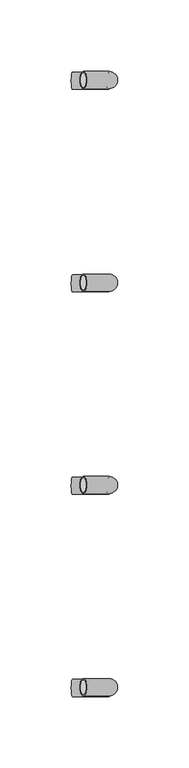
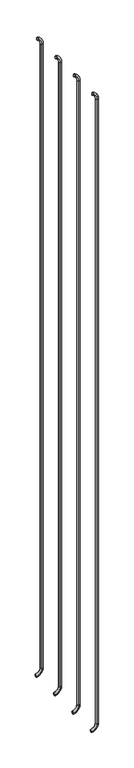
"""IFC4 building model written with IfcOpenShell, lengths in millimetres: beam geometry."""

from ifc_helpers import new_model, si_unit, point, frame, origin, place, context, project, spatial, polyline, circle_curve, ellipse_curve, trimmed, source, transform, mapped, element, save
from ifc_brep_helpers import plane_surface, cylinder_surface, revolved_surface, advanced_brep


def beam_c656ea8a(model_context):
    return source(origin(), model_context, "Body", "AdvancedBrep", [
        advanced_brep(
        [(-1568.5943391, 2408.8890736, 2977.1908893), (-1568.5943391, 2396.8890736, 2977.1908893), (-1568.5943391, 2407.8890736, 2977.1908893), (-1568.5943391, 2397.8890736, 2977.1908893), (-1550.5177223, 2407.8890736, 2949.6621238), (-1550.5177223, 2397.8890736, 2949.6621238), (-1550.5177223, 2408.8890736, 2949.6621238), (-1550.5177223, 2396.8890736, 2949.6621238), (-1550.5177223, 2397.8890736, 30.7084898), (-1550.5177223, 2407.8890736, 30.7084898), (-1550.5177223, 2396.8890736, 30.7084898), (-1550.5177223, 2408.8890736, 30.7084898), (-1576.1372984, 2408.8890736, 1.0300146), (-1576.1372984, 2396.8890736, 1.0300146), (-1576.1372984, 2407.8890736, 1.0300146), (-1576.1372984, 2397.8890736, 1.0300146)],
        [
            (0, 1, circle_curve(frame((-1568.5943391, 2402.8890736, 2977.1908893), z_axis=(-0.9176255197351176, 0.0, 0.3974461039321624), x_axis=(0.0, -1.0, 0.0)), 6.0)),
            (1, 0, circle_curve(frame((-1568.5943391, 2402.8890736, 2977.1908893), z_axis=(-0.9176255197351176, 0.0, 0.3974461039321624), x_axis=(0.0, -1.0, 0.0)), 6.0)),
            (2, 3, circle_curve(frame((-1568.5943391, 2402.8890736, 2977.1908893), z_axis=(0.9176255197351176, 0.0, -0.3974461039321624), x_axis=(0.0, -1.0, 0.0)), 5.0)),
            (3, 2, circle_curve(frame((-1568.5943391, 2402.8890736, 2977.1908893), z_axis=(0.9176255197351176, 0.0, -0.3974461039321624), x_axis=(0.0, -1.0, 0.0)), 5.0)),
            (4, 2, circle_curve(frame((-1580.5177223, 2407.8890736, 2949.6621238), z_axis=(0.0, -1.0, 0.0), x_axis=(0.3974461039321624, 0.0, 0.9176255197351176)), 30.0)),
            (3, 5, circle_curve(frame((-1580.5177223, 2397.8890736, 2949.6621238), z_axis=(0.0, 1.0, 0.0), x_axis=(0.3974461039321624, 0.0, 0.9176255197351176)), 30.0)),
            (5, 4, circle_curve(frame((-1550.5177223, 2402.8890736, 2949.6621238), z_axis=(0.0, 0.0, -1.0), x_axis=(0.0, -1.0, 0.0)), 5.0)),
            (4, 5, circle_curve(frame((-1550.5177223, 2402.8890736, 2949.6621238), z_axis=(0.0, 0.0, -1.0), x_axis=(0.0, -1.0, 0.0)), 5.0)),
            (6, 0, circle_curve(frame((-1580.5177223, 2408.8890736, 2949.6621238), z_axis=(0.0, -1.0, 0.0), x_axis=(0.3974461039321624, 0.0, 0.9176255197351176)), 30.0)),
            (1, 7, circle_curve(frame((-1580.5177223, 2396.8890736, 2949.6621238), z_axis=(0.0, 1.0, 0.0), x_axis=(0.3974461039321624, 0.0, 0.9176255197351176)), 30.0)),
            (7, 6, circle_curve(frame((-1550.5177223, 2402.8890736, 2949.6621238), z_axis=(0.0, 0.0, 1.0), x_axis=(0.0, -1.0, 0.0)), 6.0)),
            (6, 7, circle_curve(frame((-1550.5177223, 2402.8890736, 2949.6621238), z_axis=(0.0, 0.0, 1.0), x_axis=(0.0, -1.0, 0.0)), 6.0)),
            (5, 8),
            (8, 9, circle_curve(frame((-1550.5177223, 2402.8890736, 30.7084898), z_axis=(0.0, 0.0, -1.0), x_axis=(0.0, -1.0, 0.0)), 5.0)),
            (9, 4),
            (9, 8, circle_curve(frame((-1550.5177223, 2402.8890736, 30.7084898), z_axis=(0.0, 0.0, -1.0), x_axis=(0.0, -1.0, 0.0)), 5.0)),
            (7, 10),
            (10, 11, circle_curve(frame((-1550.5177223, 2402.8890736, 30.7084898), z_axis=(0.0, 0.0, 1.0), x_axis=(0.0, -1.0, 0.0)), 6.0)),
            (11, 6),
            (11, 10, circle_curve(frame((-1550.5177223, 2402.8890736, 30.7084898), z_axis=(0.0, 0.0, 1.0), x_axis=(0.0, -1.0, 0.0)), 6.0)),
            (12, 13, circle_curve(frame((-1576.1372984, 2402.8890736, 1.0300146), z_axis=(-0.9892825047438852, 0.0, -0.14601412879466397), x_axis=(0.0, -1.0, 0.0)), 6.0)),
            (13, 12, circle_curve(frame((-1576.1372984, 2402.8890736, 1.0300146), z_axis=(-0.9892825047438852, 0.0, -0.14601412879466397), x_axis=(0.0, -1.0, 0.0)), 6.0)),
            (14, 15, circle_curve(frame((-1576.1372984, 2402.8890736, 1.0300146), z_axis=(0.9892825047438852, 0.0, 0.14601412879466397), x_axis=(0.0, -1.0, 0.0)), 5.0)),
            (15, 14, circle_curve(frame((-1576.1372984, 2402.8890736, 1.0300146), z_axis=(0.9892825047438852, 0.0, 0.14601412879466397), x_axis=(0.0, -1.0, 0.0)), 5.0)),
            (14, 9, circle_curve(frame((-1580.5177223, 2407.8890736, 30.7084898), z_axis=(0.0, -1.0, 0.0), x_axis=(1.0, 0.0, 0.0)), 30.0)),
            (8, 15, circle_curve(frame((-1580.5177223, 2397.8890736, 30.7084898), z_axis=(0.0, 1.0, 0.0), x_axis=(1.0, 0.0, 0.0)), 30.0)),
            (12, 11, circle_curve(frame((-1580.5177223, 2408.8890736, 30.7084898), z_axis=(0.0, -1.0, 0.0), x_axis=(1.0, 0.0, 0.0)), 30.0)),
            (10, 13, circle_curve(frame((-1580.5177223, 2396.8890736, 30.7084898), z_axis=(0.0, 1.0, 0.0), x_axis=(1.0, 0.0, 0.0)), 30.0)),
        ],
        [
            plane_surface(frame((-1568.5943391, 2402.8890736, 2977.1908893), z_axis=(-0.9176255197351176, 0.0, 0.3974461039321624), x_axis=(0.0, -1.0, 0.0))),
            revolved_surface(trimmed(ellipse_curve(frame((-1568.5943391, 2402.8890736, 2977.1908893), z_axis=(0.9176255197351176, 0.0, -0.3974461039321624), x_axis=(0.0, -1.0, 0.0)), 5.0, 5.0), [point((-1568.5943391, 2397.8890736, 2977.1908893))], [point((-1568.5943391, 2407.8890736, 2977.1908893))], True, "CARTESIAN"), (-1580.5177223, 2402.8890736, 2949.6621238), (0.0, 1.0, 0.0)),
            revolved_surface(trimmed(ellipse_curve(frame((-1568.5943391, 2402.8890736, 2977.1908893), z_axis=(0.9176255197351176, 0.0, -0.3974461039321624), x_axis=(0.0, -1.0, 0.0)), 5.0, 5.0), [point((-1568.5943391, 2407.8890736, 2977.1908893))], [point((-1568.5943391, 2397.8890736, 2977.1908893))], True, "CARTESIAN"), (-1580.5177223, 2402.8890736, 2949.6621238), (0.0, 1.0, 0.0)),
            revolved_surface(trimmed(ellipse_curve(frame((-1568.5943391, 2402.8890736, 2977.1908893), z_axis=(-0.9176255197351176, 0.0, 0.3974461039321624), x_axis=(0.0, -1.0, 0.0)), 6.0, 6.0), [point((-1568.5943391, 2396.8890736, 2977.1908893))], [point((-1568.5943391, 2408.8890736, 2977.1908893))], True, "CARTESIAN"), (-1580.5177223, 2402.8890736, 2949.6621238), (0.0, 1.0, 0.0)),
            revolved_surface(trimmed(ellipse_curve(frame((-1568.5943391, 2402.8890736, 2977.1908893), z_axis=(-0.9176255197351176, 0.0, 0.3974461039321624), x_axis=(0.0, -1.0, 0.0)), 6.0, 6.0), [point((-1568.5943391, 2408.8890736, 2977.1908893))], [point((-1568.5943391, 2396.8890736, 2977.1908893))], True, "CARTESIAN"), (-1580.5177223, 2402.8890736, 2949.6621238), (0.0, 1.0, 0.0)),
            revolved_surface(polyline([(-1550.5177223, 2397.8890736, 30.708489799999825), (-1550.5177223, 2397.8890736, 2949.6621238)]), (-1550.5177223, 2402.8890736, 2949.6621238), (0.0, 0.0, -1.0)),
            cylinder_surface(frame((-1550.5177223, 2402.8890736, 2949.6621238), z_axis=(0.0, 0.0, 1.0), x_axis=(0.0, -1.0, 0.0)), 6.0),
            plane_surface(frame((-1576.1372984, 2402.8890736, 1.0300146), z_axis=(-0.9892825047438852, 0.0, -0.14601412879466397), x_axis=(0.0, -1.0, 0.0))),
            revolved_surface(trimmed(ellipse_curve(frame((-1550.5177223, 2402.8890736, 30.7084898), z_axis=(0.0, 0.0, -1.0), x_axis=(0.0, -1.0, 0.0)), 5.0, 5.0), [point((-1550.5177223, 2397.8890736, 30.7084898))], [point((-1550.5177223, 2407.8890736, 30.7084898))], True, "CARTESIAN"), (-1580.5177223, 2402.8890736, 30.7084898), (0.0, 1.0, 0.0)),
            revolved_surface(trimmed(ellipse_curve(frame((-1550.5177223, 2402.8890736, 30.7084898), z_axis=(0.0, 0.0, -1.0), x_axis=(0.0, -1.0, 0.0)), 5.0, 5.0), [point((-1550.5177223, 2407.8890736, 30.7084898))], [point((-1550.5177223, 2397.8890736, 30.7084898))], True, "CARTESIAN"), (-1580.5177223, 2402.8890736, 30.7084898), (0.0, 1.0, 0.0)),
            revolved_surface(trimmed(ellipse_curve(frame((-1550.5177223, 2402.8890736, 30.7084898), z_axis=(0.0, 0.0, 1.0), x_axis=(0.0, -1.0, 0.0)), 6.0, 6.0), [point((-1550.5177223, 2396.8890736, 30.7084898))], [point((-1550.5177223, 2408.8890736, 30.7084898))], True, "CARTESIAN"), (-1580.5177223, 2402.8890736, 30.7084898), (0.0, 1.0, 0.0)),
            revolved_surface(trimmed(ellipse_curve(frame((-1550.5177223, 2402.8890736, 30.7084898), z_axis=(0.0, 0.0, 1.0), x_axis=(0.0, -1.0, 0.0)), 6.0, 6.0), [point((-1550.5177223, 2408.8890736, 30.7084898))], [point((-1550.5177223, 2396.8890736, 30.7084898))], True, "CARTESIAN"), (-1580.5177223, 2402.8890736, 30.7084898), (0.0, 1.0, 0.0)),
        ],
        [
            (0, [[1, 2], [3, 4]]),
            (1, [[5, -4, 6, 7]]),
            (2, [[-6, -3, -5, 8]]),
            (3, [[9, -2, 10, 11]]),
            (4, [[-10, -1, -9, 12]]),
            (5, [[-7, 13, 14, 15]]),
            (5, [[-8, -15, 16, -13]]),
            (6, [[-11, 17, 18, 19]]),
            (6, [[-12, -19, 20, -17]]),
            (7, [[21, 22], [23, 24]]),
            (8, [[25, -14, 26, -23]]),
            (9, [[-26, -16, -25, -24]]),
            (10, [[27, -18, 28, -21]]),
            (11, [[-28, -20, -27, -22]]),
        ],
    ),
        advanced_brep(
        [(-1568.5943391, 2550.2953236, 2977.1908893), (-1568.5943391, 2538.2953236, 2977.1908893), (-1568.5943391, 2549.2953236, 2977.1908893), (-1568.5943391, 2539.2953236, 2977.1908893), (-1550.5177223, 2549.2953236, 2949.6621238), (-1550.5177223, 2539.2953236, 2949.6621238), (-1550.5177223, 2550.2953236, 2949.6621238), (-1550.5177223, 2538.2953236, 2949.6621238), (-1550.5177223, 2539.2953236, 30.7084898), (-1550.5177223, 2549.2953236, 30.7084898), (-1550.5177223, 2538.2953236, 30.7084898), (-1550.5177223, 2550.2953236, 30.7084898), (-1576.1372984, 2550.2953236, 1.0300146), (-1576.1372984, 2538.2953236, 1.0300146), (-1576.1372984, 2549.2953236, 1.0300146), (-1576.1372984, 2539.2953236, 1.0300146)],
        [
            (0, 1, circle_curve(frame((-1568.5943391, 2544.2953236, 2977.1908893), z_axis=(-0.9176255197351176, 0.0, 0.3974461039321624), x_axis=(0.0, -1.0, 0.0)), 6.0)),
            (1, 0, circle_curve(frame((-1568.5943391, 2544.2953236, 2977.1908893), z_axis=(-0.9176255197351176, 0.0, 0.3974461039321624), x_axis=(0.0, -1.0, 0.0)), 6.0)),
            (2, 3, circle_curve(frame((-1568.5943391, 2544.2953236, 2977.1908893), z_axis=(0.9176255197351176, 0.0, -0.3974461039321624), x_axis=(0.0, -1.0, 0.0)), 5.0)),
            (3, 2, circle_curve(frame((-1568.5943391, 2544.2953236, 2977.1908893), z_axis=(0.9176255197351176, 0.0, -0.3974461039321624), x_axis=(0.0, -1.0, 0.0)), 5.0)),
            (4, 2, circle_curve(frame((-1580.5177223, 2549.2953236, 2949.6621238), z_axis=(0.0, -1.0, 0.0), x_axis=(0.3974461039321624, 0.0, 0.9176255197351176)), 30.0)),
            (3, 5, circle_curve(frame((-1580.5177223, 2539.2953236, 2949.6621238), z_axis=(0.0, 1.0, 0.0), x_axis=(0.3974461039321624, 0.0, 0.9176255197351176)), 30.0)),
            (5, 4, circle_curve(frame((-1550.5177223, 2544.2953236, 2949.6621238), z_axis=(0.0, 0.0, -1.0), x_axis=(0.0, -1.0, 0.0)), 5.0)),
            (4, 5, circle_curve(frame((-1550.5177223, 2544.2953236, 2949.6621238), z_axis=(0.0, 0.0, -1.0), x_axis=(0.0, -1.0, 0.0)), 5.0)),
            (6, 0, circle_curve(frame((-1580.5177223, 2550.2953236, 2949.6621238), z_axis=(0.0, -1.0, 0.0), x_axis=(0.3974461039321624, 0.0, 0.9176255197351176)), 30.0)),
            (1, 7, circle_curve(frame((-1580.5177223, 2538.2953236, 2949.6621238), z_axis=(0.0, 1.0, 0.0), x_axis=(0.3974461039321624, 0.0, 0.9176255197351176)), 30.0)),
            (7, 6, circle_curve(frame((-1550.5177223, 2544.2953236, 2949.6621238), z_axis=(0.0, 0.0, 1.0), x_axis=(0.0, -1.0, 0.0)), 6.0)),
            (6, 7, circle_curve(frame((-1550.5177223, 2544.2953236, 2949.6621238), z_axis=(0.0, 0.0, 1.0), x_axis=(0.0, -1.0, 0.0)), 6.0)),
            (5, 8),
            (8, 9, circle_curve(frame((-1550.5177223, 2544.2953236, 30.7084898), z_axis=(0.0, 0.0, -1.0), x_axis=(0.0, -1.0, 0.0)), 5.0)),
            (9, 4),
            (9, 8, circle_curve(frame((-1550.5177223, 2544.2953236, 30.7084898), z_axis=(0.0, 0.0, -1.0), x_axis=(0.0, -1.0, 0.0)), 5.0)),
            (7, 10),
            (10, 11, circle_curve(frame((-1550.5177223, 2544.2953236, 30.7084898), z_axis=(0.0, 0.0, 1.0), x_axis=(0.0, -1.0, 0.0)), 6.0)),
            (11, 6),
            (11, 10, circle_curve(frame((-1550.5177223, 2544.2953236, 30.7084898), z_axis=(0.0, 0.0, 1.0), x_axis=(0.0, -1.0, 0.0)), 6.0)),
            (12, 13, circle_curve(frame((-1576.1372984, 2544.2953236, 1.0300146), z_axis=(-0.9892825047438852, 0.0, -0.14601412879466397), x_axis=(0.0, -1.0, 0.0)), 6.0)),
            (13, 12, circle_curve(frame((-1576.1372984, 2544.2953236, 1.0300146), z_axis=(-0.9892825047438852, 0.0, -0.14601412879466397), x_axis=(0.0, -1.0, 0.0)), 6.0)),
            (14, 15, circle_curve(frame((-1576.1372984, 2544.2953236, 1.0300146), z_axis=(0.9892825047438852, 0.0, 0.14601412879466397), x_axis=(0.0, -1.0, 0.0)), 5.0)),
            (15, 14, circle_curve(frame((-1576.1372984, 2544.2953236, 1.0300146), z_axis=(0.9892825047438852, 0.0, 0.14601412879466397), x_axis=(0.0, -1.0, 0.0)), 5.0)),
            (14, 9, circle_curve(frame((-1580.5177223, 2549.2953236, 30.7084898), z_axis=(0.0, -1.0, 0.0), x_axis=(1.0, 0.0, 0.0)), 30.0)),
            (8, 15, circle_curve(frame((-1580.5177223, 2539.2953236, 30.7084898), z_axis=(0.0, 1.0, 0.0), x_axis=(1.0, 0.0, 0.0)), 30.0)),
            (12, 11, circle_curve(frame((-1580.5177223, 2550.2953236, 30.7084898), z_axis=(0.0, -1.0, 0.0), x_axis=(1.0, 0.0, 0.0)), 30.0)),
            (10, 13, circle_curve(frame((-1580.5177223, 2538.2953236, 30.7084898), z_axis=(0.0, 1.0, 0.0), x_axis=(1.0, 0.0, 0.0)), 30.0)),
        ],
        [
            plane_surface(frame((-1568.5943391, 2544.2953236, 2977.1908893), z_axis=(-0.9176255197351176, 0.0, 0.3974461039321624), x_axis=(0.0, -1.0, 0.0))),
            revolved_surface(trimmed(ellipse_curve(frame((-1568.5943391, 2544.2953236, 2977.1908893), z_axis=(0.9176255197351176, 0.0, -0.3974461039321624), x_axis=(0.0, -1.0, 0.0)), 5.0, 5.0), [point((-1568.5943391, 2539.2953236, 2977.1908893))], [point((-1568.5943391, 2549.2953236, 2977.1908893))], True, "CARTESIAN"), (-1580.5177223, 2544.2953236, 2949.6621238), (0.0, 1.0, 0.0)),
            revolved_surface(trimmed(ellipse_curve(frame((-1568.5943391, 2544.2953236, 2977.1908893), z_axis=(0.9176255197351176, 0.0, -0.3974461039321624), x_axis=(0.0, -1.0, 0.0)), 5.0, 5.0), [point((-1568.5943391, 2549.2953236, 2977.1908893))], [point((-1568.5943391, 2539.2953236, 2977.1908893))], True, "CARTESIAN"), (-1580.5177223, 2544.2953236, 2949.6621238), (0.0, 1.0, 0.0)),
            revolved_surface(trimmed(ellipse_curve(frame((-1568.5943391, 2544.2953236, 2977.1908893), z_axis=(-0.9176255197351176, 0.0, 0.3974461039321624), x_axis=(0.0, -1.0, 0.0)), 6.0, 6.0), [point((-1568.5943391, 2538.2953236, 2977.1908893))], [point((-1568.5943391, 2550.2953236, 2977.1908893))], True, "CARTESIAN"), (-1580.5177223, 2544.2953236, 2949.6621238), (0.0, 1.0, 0.0)),
            revolved_surface(trimmed(ellipse_curve(frame((-1568.5943391, 2544.2953236, 2977.1908893), z_axis=(-0.9176255197351176, 0.0, 0.3974461039321624), x_axis=(0.0, -1.0, 0.0)), 6.0, 6.0), [point((-1568.5943391, 2550.2953236, 2977.1908893))], [point((-1568.5943391, 2538.2953236, 2977.1908893))], True, "CARTESIAN"), (-1580.5177223, 2544.2953236, 2949.6621238), (0.0, 1.0, 0.0)),
            revolved_surface(polyline([(-1550.5177223, 2539.2953236, 30.708489799999825), (-1550.5177223, 2539.2953236, 2949.6621238)]), (-1550.5177223, 2544.2953236, 2949.6621238), (0.0, 0.0, -1.0)),
            cylinder_surface(frame((-1550.5177223, 2544.2953236, 2949.6621238), z_axis=(0.0, 0.0, 1.0), x_axis=(0.0, -1.0, 0.0)), 6.0),
            plane_surface(frame((-1576.1372984, 2544.2953236, 1.0300146), z_axis=(-0.9892825047438852, 0.0, -0.14601412879466397), x_axis=(0.0, -1.0, 0.0))),
            revolved_surface(trimmed(ellipse_curve(frame((-1550.5177223, 2544.2953236, 30.7084898), z_axis=(0.0, 0.0, -1.0), x_axis=(0.0, -1.0, 0.0)), 5.0, 5.0), [point((-1550.5177223, 2539.2953236, 30.7084898))], [point((-1550.5177223, 2549.2953236, 30.7084898))], True, "CARTESIAN"), (-1580.5177223, 2544.2953236, 30.7084898), (0.0, 1.0, 0.0)),
            revolved_surface(trimmed(ellipse_curve(frame((-1550.5177223, 2544.2953236, 30.7084898), z_axis=(0.0, 0.0, -1.0), x_axis=(0.0, -1.0, 0.0)), 5.0, 5.0), [point((-1550.5177223, 2549.2953236, 30.7084898))], [point((-1550.5177223, 2539.2953236, 30.7084898))], True, "CARTESIAN"), (-1580.5177223, 2544.2953236, 30.7084898), (0.0, 1.0, 0.0)),
            revolved_surface(trimmed(ellipse_curve(frame((-1550.5177223, 2544.2953236, 30.7084898), z_axis=(0.0, 0.0, 1.0), x_axis=(0.0, -1.0, 0.0)), 6.0, 6.0), [point((-1550.5177223, 2538.2953236, 30.7084898))], [point((-1550.5177223, 2550.2953236, 30.7084898))], True, "CARTESIAN"), (-1580.5177223, 2544.2953236, 30.7084898), (0.0, 1.0, 0.0)),
            revolved_surface(trimmed(ellipse_curve(frame((-1550.5177223, 2544.2953236, 30.7084898), z_axis=(0.0, 0.0, 1.0), x_axis=(0.0, -1.0, 0.0)), 6.0, 6.0), [point((-1550.5177223, 2550.2953236, 30.7084898))], [point((-1550.5177223, 2538.2953236, 30.7084898))], True, "CARTESIAN"), (-1580.5177223, 2544.2953236, 30.7084898), (0.0, 1.0, 0.0)),
        ],
        [
            (0, [[1, 2], [3, 4]]),
            (1, [[5, -4, 6, 7]]),
            (2, [[-6, -3, -5, 8]]),
            (3, [[9, -2, 10, 11]]),
            (4, [[-10, -1, -9, 12]]),
            (5, [[-7, 13, 14, 15]]),
            (5, [[-8, -15, 16, -13]]),
            (6, [[-11, 17, 18, 19]]),
            (6, [[-12, -19, 20, -17]]),
            (7, [[21, 22], [23, 24]]),
            (8, [[25, -14, 26, -23]]),
            (9, [[-26, -16, -25, -24]]),
            (10, [[27, -18, 28, -21]]),
            (11, [[-28, -20, -27, -22]]),
        ],
    ),
        advanced_brep(
        [(-1568.5943391, 2833.5765736, 2977.1908893), (-1568.5943391, 2821.5765736, 2977.1908893), (-1568.5943391, 2832.5765736, 2977.1908893), (-1568.5943391, 2822.5765736, 2977.1908893), (-1550.5177223, 2832.5765736, 2949.6621238), (-1550.5177223, 2822.5765736, 2949.6621238), (-1550.5177223, 2833.5765736, 2949.6621238), (-1550.5177223, 2821.5765736, 2949.6621238), (-1550.5177223, 2822.5765736, 30.7084898), (-1550.5177223, 2832.5765736, 30.7084898), (-1550.5177223, 2821.5765736, 30.7084898), (-1550.5177223, 2833.5765736, 30.7084898), (-1576.1372984, 2833.5765736, 1.0300146), (-1576.1372984, 2821.5765736, 1.0300146), (-1576.1372984, 2832.5765736, 1.0300146), (-1576.1372984, 2822.5765736, 1.0300146)],
        [
            (0, 1, circle_curve(frame((-1568.5943391, 2827.5765736, 2977.1908893), z_axis=(-0.9176255197351176, 0.0, 0.3974461039321624), x_axis=(0.0, -1.0, 0.0)), 6.0)),
            (1, 0, circle_curve(frame((-1568.5943391, 2827.5765736, 2977.1908893), z_axis=(-0.9176255197351176, 0.0, 0.3974461039321624), x_axis=(0.0, -1.0, 0.0)), 6.0)),
            (2, 3, circle_curve(frame((-1568.5943391, 2827.5765736, 2977.1908893), z_axis=(0.9176255197351176, 0.0, -0.3974461039321624), x_axis=(0.0, -1.0, 0.0)), 5.0)),
            (3, 2, circle_curve(frame((-1568.5943391, 2827.5765736, 2977.1908893), z_axis=(0.9176255197351176, 0.0, -0.3974461039321624), x_axis=(0.0, -1.0, 0.0)), 5.0)),
            (4, 2, circle_curve(frame((-1580.5177223, 2832.5765736, 2949.6621238), z_axis=(0.0, -1.0, 0.0), x_axis=(0.3974461039321624, 0.0, 0.9176255197351176)), 30.0)),
            (3, 5, circle_curve(frame((-1580.5177223, 2822.5765736, 2949.6621238), z_axis=(0.0, 1.0, 0.0), x_axis=(0.3974461039321624, 0.0, 0.9176255197351176)), 30.0)),
            (5, 4, circle_curve(frame((-1550.5177223, 2827.5765736, 2949.6621238), z_axis=(0.0, 0.0, -1.0), x_axis=(0.0, -1.0, 0.0)), 5.0)),
            (4, 5, circle_curve(frame((-1550.5177223, 2827.5765736, 2949.6621238), z_axis=(0.0, 0.0, -1.0), x_axis=(0.0, -1.0, 0.0)), 5.0)),
            (6, 0, circle_curve(frame((-1580.5177223, 2833.5765736, 2949.6621238), z_axis=(0.0, -1.0, 0.0), x_axis=(0.3974461039321624, 0.0, 0.9176255197351176)), 30.0)),
            (1, 7, circle_curve(frame((-1580.5177223, 2821.5765736, 2949.6621238), z_axis=(0.0, 1.0, 0.0), x_axis=(0.3974461039321624, 0.0, 0.9176255197351176)), 30.0)),
            (7, 6, circle_curve(frame((-1550.5177223, 2827.5765736, 2949.6621238), z_axis=(0.0, 0.0, 1.0), x_axis=(0.0, -1.0, 0.0)), 6.0)),
            (6, 7, circle_curve(frame((-1550.5177223, 2827.5765736, 2949.6621238), z_axis=(0.0, 0.0, 0.9999999999999999), x_axis=(0.0, -1.0, 0.0)), 6.0)),
            (5, 8),
            (8, 9, circle_curve(frame((-1550.5177223, 2827.5765736, 30.7084898), z_axis=(0.0, 0.0, -1.0), x_axis=(0.0, -1.0, 0.0)), 5.0)),
            (9, 4),
            (9, 8, circle_curve(frame((-1550.5177223, 2827.5765736, 30.7084898), z_axis=(0.0, 0.0, -1.0), x_axis=(0.0, -1.0, 0.0)), 5.0)),
            (7, 10),
            (10, 11, circle_curve(frame((-1550.5177223, 2827.5765736, 30.7084898), z_axis=(0.0, 0.0, 1.0), x_axis=(0.0, -1.0, 0.0)), 6.0)),
            (11, 6),
            (11, 10, circle_curve(frame((-1550.5177223, 2827.5765736, 30.7084898), z_axis=(0.0, 0.0, 1.0), x_axis=(0.0, -1.0, 0.0)), 6.0)),
            (12, 13, circle_curve(frame((-1576.1372984, 2827.5765736, 1.0300146), z_axis=(-0.9892825047438852, 0.0, -0.14601412879466397), x_axis=(0.0, -1.0, 0.0)), 6.0)),
            (13, 12, circle_curve(frame((-1576.1372984, 2827.5765736, 1.0300146), z_axis=(-0.9892825047438852, 0.0, -0.14601412879466397), x_axis=(0.0, -1.0, 0.0)), 6.0)),
            (14, 15, circle_curve(frame((-1576.1372984, 2827.5765736, 1.0300146), z_axis=(0.9892825047438852, 0.0, 0.14601412879466397), x_axis=(0.0, -1.0, 0.0)), 5.0)),
            (15, 14, circle_curve(frame((-1576.1372984, 2827.5765736, 1.0300146), z_axis=(0.9892825047438852, 0.0, 0.14601412879466397), x_axis=(0.0, -1.0, 0.0)), 5.0)),
            (14, 9, circle_curve(frame((-1580.5177223, 2832.5765736, 30.7084898), z_axis=(0.0, -1.0, 0.0), x_axis=(1.0, 0.0, 0.0)), 30.0)),
            (8, 15, circle_curve(frame((-1580.5177223, 2822.5765736, 30.7084898), z_axis=(0.0, 1.0, 0.0), x_axis=(1.0, 0.0, 0.0)), 30.0)),
            (12, 11, circle_curve(frame((-1580.5177223, 2833.5765736, 30.7084898), z_axis=(0.0, -1.0, 0.0), x_axis=(1.0, 0.0, 0.0)), 30.0)),
            (10, 13, circle_curve(frame((-1580.5177223, 2821.5765736, 30.7084898), z_axis=(0.0, 1.0, 0.0), x_axis=(1.0, 0.0, 0.0)), 30.0)),
        ],
        [
            plane_surface(frame((-1568.5943391, 2827.5765736, 2977.1908893), z_axis=(-0.9176255197351176, 0.0, 0.3974461039321624), x_axis=(0.0, -1.0, 0.0))),
            revolved_surface(trimmed(ellipse_curve(frame((-1568.5943391, 2827.5765736, 2977.1908893), z_axis=(0.9176255197351176, 0.0, -0.3974461039321624), x_axis=(0.0, -1.0, 0.0)), 5.0, 5.0), [point((-1568.5943391, 2822.5765736, 2977.1908893))], [point((-1568.5943391, 2832.5765736, 2977.1908893))], True, "CARTESIAN"), (-1580.5177223, 2827.5765736, 2949.6621238), (0.0, 1.0, 0.0)),
            revolved_surface(trimmed(ellipse_curve(frame((-1568.5943391, 2827.5765736, 2977.1908893), z_axis=(0.9176255197351176, 0.0, -0.3974461039321624), x_axis=(0.0, -1.0, 0.0)), 5.0, 5.0), [point((-1568.5943391, 2832.5765736, 2977.1908893))], [point((-1568.5943391, 2822.5765736, 2977.1908893))], True, "CARTESIAN"), (-1580.5177223, 2827.5765736, 2949.6621238), (0.0, 1.0, 0.0)),
            revolved_surface(trimmed(ellipse_curve(frame((-1568.5943391, 2827.5765736, 2977.1908893), z_axis=(-0.9176255197351176, 0.0, 0.3974461039321624), x_axis=(0.0, -1.0, 0.0)), 6.0, 6.0), [point((-1568.5943391, 2821.5765736, 2977.1908893))], [point((-1568.5943391, 2833.5765736, 2977.1908893))], True, "CARTESIAN"), (-1580.5177223, 2827.5765736, 2949.6621238), (0.0, 1.0, 0.0)),
            revolved_surface(trimmed(ellipse_curve(frame((-1568.5943391, 2827.5765736, 2977.1908893), z_axis=(-0.9176255197351176, 0.0, 0.3974461039321624), x_axis=(0.0, -1.0, 0.0)), 6.0, 6.0), [point((-1568.5943391, 2833.5765736, 2977.1908893))], [point((-1568.5943391, 2821.5765736, 2977.1908893))], True, "CARTESIAN"), (-1580.5177223, 2827.5765736, 2949.6621238), (0.0, 1.0, 0.0)),
            revolved_surface(polyline([(-1550.5177223, 2822.5765736, 30.708489799999825), (-1550.5177223, 2822.5765736, 2949.6621238)]), (-1550.5177223, 2827.5765736, 2949.6621238), (0.0, 0.0, -1.0)),
            cylinder_surface(frame((-1550.5177223, 2827.5765736, 2949.6621238), z_axis=(0.0, 0.0, 1.0), x_axis=(0.0, -1.0, 0.0)), 6.0),
            plane_surface(frame((-1576.1372984, 2827.5765736, 1.0300146), z_axis=(-0.9892825047438852, 0.0, -0.14601412879466397), x_axis=(0.0, -1.0, 0.0))),
            revolved_surface(trimmed(ellipse_curve(frame((-1550.5177223, 2827.5765736, 30.7084898), z_axis=(0.0, 0.0, -1.0), x_axis=(0.0, -1.0, 0.0)), 5.0, 5.0), [point((-1550.5177223, 2822.5765736, 30.7084898))], [point((-1550.5177223, 2832.5765736, 30.7084898))], True, "CARTESIAN"), (-1580.5177223, 2827.5765736, 30.7084898), (0.0, 1.0, 0.0)),
            revolved_surface(trimmed(ellipse_curve(frame((-1550.5177223, 2827.5765736, 30.7084898), z_axis=(0.0, 0.0, -1.0), x_axis=(0.0, -1.0, 0.0)), 5.0, 5.0), [point((-1550.5177223, 2832.5765736, 30.7084898))], [point((-1550.5177223, 2822.5765736, 30.7084898))], True, "CARTESIAN"), (-1580.5177223, 2827.5765736, 30.7084898), (0.0, 1.0, 0.0)),
            revolved_surface(trimmed(ellipse_curve(frame((-1550.5177223, 2827.5765736, 30.7084898), z_axis=(0.0, 0.0, 1.0), x_axis=(0.0, -1.0, 0.0)), 6.0, 6.0), [point((-1550.5177223, 2821.5765736, 30.7084898))], [point((-1550.5177223, 2833.5765736, 30.7084898))], True, "CARTESIAN"), (-1580.5177223, 2827.5765736, 30.7084898), (0.0, 1.0, 0.0)),
            revolved_surface(trimmed(ellipse_curve(frame((-1550.5177223, 2827.5765736, 30.7084898), z_axis=(0.0, 0.0, 1.0), x_axis=(0.0, -1.0, 0.0)), 6.0, 6.0), [point((-1550.5177223, 2833.5765736, 30.7084898))], [point((-1550.5177223, 2821.5765736, 30.7084898))], True, "CARTESIAN"), (-1580.5177223, 2827.5765736, 30.7084898), (0.0, 1.0, 0.0)),
        ],
        [
            (0, [[1, 2], [3, 4]]),
            (1, [[5, -4, 6, 7]]),
            (2, [[-6, -3, -5, 8]]),
            (3, [[9, -2, 10, 11]]),
            (4, [[-10, -1, -9, 12]]),
            (5, [[-7, 13, 14, 15]]),
            (5, [[-8, -15, 16, -13]]),
            (6, [[-11, 17, 18, 19]]),
            (6, [[-12, -19, 20, -17]]),
            (7, [[21, 22], [23, 24]]),
            (8, [[25, -14, 26, -23]]),
            (9, [[-26, -16, -25, -24]]),
            (10, [[27, -18, 28, -21]]),
            (11, [[-28, -20, -27, -22]]),
        ],
    ),
        advanced_brep(
        [(-1568.5943391, 2691.8578236, 2977.1908893), (-1568.5943391, 2679.8578236, 2977.1908893), (-1568.5943391, 2690.8578236, 2977.1908893), (-1568.5943391, 2680.8578236, 2977.1908893), (-1550.5177223, 2690.8578236, 2949.6621238), (-1550.5177223, 2680.8578236, 2949.6621238), (-1550.5177223, 2691.8578236, 2949.6621238), (-1550.5177223, 2679.8578236, 2949.6621238), (-1550.5177223, 2680.8578236, 30.7084898), (-1550.5177223, 2690.8578236, 30.7084898), (-1550.5177223, 2679.8578236, 30.7084898), (-1550.5177223, 2691.8578236, 30.7084898), (-1576.1372984, 2691.8578236, 1.0300146), (-1576.1372984, 2679.8578236, 1.0300146), (-1576.1372984, 2690.8578236, 1.0300146), (-1576.1372984, 2680.8578236, 1.0300146)],
        [
            (0, 1, circle_curve(frame((-1568.5943391, 2685.8578236, 2977.1908893), z_axis=(-0.9176255197351176, 0.0, 0.3974461039321624), x_axis=(0.0, -1.0, 0.0)), 6.0)),
            (1, 0, circle_curve(frame((-1568.5943391, 2685.8578236, 2977.1908893), z_axis=(-0.9176255197351176, 0.0, 0.3974461039321624), x_axis=(0.0, -1.0, 0.0)), 6.0)),
            (2, 3, circle_curve(frame((-1568.5943391, 2685.8578236, 2977.1908893), z_axis=(0.9176255197351176, 0.0, -0.3974461039321624), x_axis=(0.0, -1.0, 0.0)), 5.0)),
            (3, 2, circle_curve(frame((-1568.5943391, 2685.8578236, 2977.1908893), z_axis=(0.9176255197351176, 0.0, -0.3974461039321624), x_axis=(0.0, -1.0, 0.0)), 5.0)),
            (4, 2, circle_curve(frame((-1580.5177223, 2690.8578236, 2949.6621238), z_axis=(0.0, -1.0, 0.0), x_axis=(0.3974461039321624, 0.0, 0.9176255197351176)), 30.0)),
            (3, 5, circle_curve(frame((-1580.5177223, 2680.8578236, 2949.6621238), z_axis=(0.0, 1.0, 0.0), x_axis=(0.3974461039321624, 0.0, 0.9176255197351176)), 30.0)),
            (5, 4, circle_curve(frame((-1550.5177223, 2685.8578236, 2949.6621238), z_axis=(0.0, 0.0, -1.0), x_axis=(0.0, -1.0, 0.0)), 5.0)),
            (4, 5, circle_curve(frame((-1550.5177223, 2685.8578236, 2949.6621238), z_axis=(0.0, 0.0, -1.0), x_axis=(0.0, -1.0, 0.0)), 5.0)),
            (6, 0, circle_curve(frame((-1580.5177223, 2691.8578236, 2949.6621238), z_axis=(0.0, -1.0, 0.0), x_axis=(0.3974461039321624, 0.0, 0.9176255197351176)), 30.0)),
            (1, 7, circle_curve(frame((-1580.5177223, 2679.8578236, 2949.6621238), z_axis=(0.0, 1.0, 0.0), x_axis=(0.3974461039321624, 0.0, 0.9176255197351176)), 30.0)),
            (7, 6, circle_curve(frame((-1550.5177223, 2685.8578236, 2949.6621238), z_axis=(0.0, 0.0, 1.0), x_axis=(0.0, -1.0, 0.0)), 6.0)),
            (6, 7, circle_curve(frame((-1550.5177223, 2685.8578236, 2949.6621238), z_axis=(0.0, 0.0, 1.0), x_axis=(0.0, -1.0, 0.0)), 6.0)),
            (5, 8),
            (8, 9, circle_curve(frame((-1550.5177223, 2685.8578236, 30.7084898), z_axis=(0.0, 0.0, -1.0), x_axis=(0.0, -1.0, 0.0)), 5.0)),
            (9, 4),
            (9, 8, circle_curve(frame((-1550.5177223, 2685.8578236, 30.7084898), z_axis=(0.0, 0.0, -1.0), x_axis=(0.0, -1.0, 0.0)), 5.0)),
            (7, 10),
            (10, 11, circle_curve(frame((-1550.5177223, 2685.8578236, 30.7084898), z_axis=(0.0, 0.0, 1.0), x_axis=(0.0, -1.0, 0.0)), 6.0)),
            (11, 6),
            (11, 10, circle_curve(frame((-1550.5177223, 2685.8578236, 30.7084898), z_axis=(0.0, 0.0, 1.0), x_axis=(0.0, -1.0, 0.0)), 6.0)),
            (12, 13, circle_curve(frame((-1576.1372984, 2685.8578236, 1.0300146), z_axis=(-0.9892825047438852, 0.0, -0.14601412879466397), x_axis=(0.0, -1.0, 0.0)), 6.0)),
            (13, 12, circle_curve(frame((-1576.1372984, 2685.8578236, 1.0300146), z_axis=(-0.9892825047438852, 0.0, -0.14601412879466397), x_axis=(0.0, -1.0, 0.0)), 6.0)),
            (14, 15, circle_curve(frame((-1576.1372984, 2685.8578236, 1.0300146), z_axis=(0.9892825047438852, 0.0, 0.14601412879466397), x_axis=(0.0, -1.0, 0.0)), 5.0)),
            (15, 14, circle_curve(frame((-1576.1372984, 2685.8578236, 1.0300146), z_axis=(0.9892825047438852, 0.0, 0.14601412879466397), x_axis=(0.0, -1.0, 0.0)), 5.0)),
            (14, 9, circle_curve(frame((-1580.5177223, 2690.8578236, 30.7084898), z_axis=(0.0, -1.0, 0.0), x_axis=(1.0, 0.0, 0.0)), 30.0)),
            (8, 15, circle_curve(frame((-1580.5177223, 2680.8578236, 30.7084898), z_axis=(0.0, 1.0, 0.0), x_axis=(1.0, 0.0, 0.0)), 30.0)),
            (12, 11, circle_curve(frame((-1580.5177223, 2691.8578236, 30.7084898), z_axis=(0.0, -1.0, 0.0), x_axis=(1.0, 0.0, 0.0)), 30.0)),
            (10, 13, circle_curve(frame((-1580.5177223, 2679.8578236, 30.7084898), z_axis=(0.0, 1.0, 0.0), x_axis=(1.0, 0.0, 0.0)), 30.0)),
        ],
        [
            plane_surface(frame((-1568.5943391, 2685.8578236, 2977.1908893), z_axis=(-0.9176255197351176, 0.0, 0.3974461039321624), x_axis=(0.0, -1.0, 0.0))),
            revolved_surface(trimmed(ellipse_curve(frame((-1568.5943391, 2685.8578236, 2977.1908893), z_axis=(0.9176255197351176, 0.0, -0.3974461039321624), x_axis=(0.0, -1.0, 0.0)), 5.0, 5.0), [point((-1568.5943391, 2680.8578236, 2977.1908893))], [point((-1568.5943391, 2690.8578236, 2977.1908893))], True, "CARTESIAN"), (-1580.5177223, 2685.8578236, 2949.6621238), (0.0, 1.0, 0.0)),
            revolved_surface(trimmed(ellipse_curve(frame((-1568.5943391, 2685.8578236, 2977.1908893), z_axis=(0.9176255197351176, 0.0, -0.3974461039321624), x_axis=(0.0, -1.0, 0.0)), 5.0, 5.0), [point((-1568.5943391, 2690.8578236, 2977.1908893))], [point((-1568.5943391, 2680.8578236, 2977.1908893))], True, "CARTESIAN"), (-1580.5177223, 2685.8578236, 2949.6621238), (0.0, 1.0, 0.0)),
            revolved_surface(trimmed(ellipse_curve(frame((-1568.5943391, 2685.8578236, 2977.1908893), z_axis=(-0.9176255197351176, 0.0, 0.3974461039321624), x_axis=(0.0, -1.0, 0.0)), 6.0, 6.0), [point((-1568.5943391, 2679.8578236, 2977.1908893))], [point((-1568.5943391, 2691.8578236, 2977.1908893))], True, "CARTESIAN"), (-1580.5177223, 2685.8578236, 2949.6621238), (0.0, 1.0, 0.0)),
            revolved_surface(trimmed(ellipse_curve(frame((-1568.5943391, 2685.8578236, 2977.1908893), z_axis=(-0.9176255197351176, 0.0, 0.3974461039321624), x_axis=(0.0, -1.0, 0.0)), 6.0, 6.0), [point((-1568.5943391, 2691.8578236, 2977.1908893))], [point((-1568.5943391, 2679.8578236, 2977.1908893))], True, "CARTESIAN"), (-1580.5177223, 2685.8578236, 2949.6621238), (0.0, 1.0, 0.0)),
            revolved_surface(polyline([(-1550.5177223, 2680.8578236, 30.708489799999825), (-1550.5177223, 2680.8578236, 2949.6621238)]), (-1550.5177223, 2685.8578236, 2949.6621238), (0.0, 0.0, -1.0)),
            cylinder_surface(frame((-1550.5177223, 2685.8578236, 2949.6621238), z_axis=(0.0, 0.0, 1.0), x_axis=(0.0, -1.0, 0.0)), 6.0),
            plane_surface(frame((-1576.1372984, 2685.8578236, 1.0300146), z_axis=(-0.9892825047438852, 0.0, -0.14601412879466397), x_axis=(0.0, -1.0, 0.0))),
            revolved_surface(trimmed(ellipse_curve(frame((-1550.5177223, 2685.8578236, 30.7084898), z_axis=(0.0, 0.0, -1.0), x_axis=(0.0, -1.0, 0.0)), 5.0, 5.0), [point((-1550.5177223, 2680.8578236, 30.7084898))], [point((-1550.5177223, 2690.8578236, 30.7084898))], True, "CARTESIAN"), (-1580.5177223, 2685.8578236, 30.7084898), (0.0, 1.0, 0.0)),
            revolved_surface(trimmed(ellipse_curve(frame((-1550.5177223, 2685.8578236, 30.7084898), z_axis=(0.0, 0.0, -1.0), x_axis=(0.0, -1.0, 0.0)), 5.0, 5.0), [point((-1550.5177223, 2690.8578236, 30.7084898))], [point((-1550.5177223, 2680.8578236, 30.7084898))], True, "CARTESIAN"), (-1580.5177223, 2685.8578236, 30.7084898), (0.0, 1.0, 0.0)),
            revolved_surface(trimmed(ellipse_curve(frame((-1550.5177223, 2685.8578236, 30.7084898), z_axis=(0.0, 0.0, 1.0), x_axis=(0.0, -1.0, 0.0)), 6.0, 6.0), [point((-1550.5177223, 2679.8578236, 30.7084898))], [point((-1550.5177223, 2691.8578236, 30.7084898))], True, "CARTESIAN"), (-1580.5177223, 2685.8578236, 30.7084898), (0.0, 1.0, 0.0)),
            revolved_surface(trimmed(ellipse_curve(frame((-1550.5177223, 2685.8578236, 30.7084898), z_axis=(0.0, 0.0, 1.0), x_axis=(0.0, -1.0, 0.0)), 6.0, 6.0), [point((-1550.5177223, 2691.8578236, 30.7084898))], [point((-1550.5177223, 2679.8578236, 30.7084898))], True, "CARTESIAN"), (-1580.5177223, 2685.8578236, 30.7084898), (0.0, 1.0, 0.0)),
        ],
        [
            (0, [[1, 2], [3, 4]]),
            (1, [[5, -4, 6, 7]]),
            (2, [[-6, -3, -5, 8]]),
            (3, [[9, -2, 10, 11]]),
            (4, [[-10, -1, -9, 12]]),
            (5, [[-7, 13, 14, 15]]),
            (5, [[-8, -15, 16, -13]]),
            (6, [[-11, 17, 18, 19]]),
            (6, [[-12, -19, 20, -17]]),
            (7, [[21, 22], [23, 24]]),
            (8, [[25, -14, 26, -23]]),
            (9, [[-26, -16, -25, -24]]),
            (10, [[27, -18, 28, -21]]),
            (11, [[-28, -20, -27, -22]]),
        ],
    ),
    ])


if __name__ == "__main__":
    model = new_model("IFC4")
    model_context = context("Model", 3, world=origin())
    ifc_project = project(units=[si_unit("LENGTHUNIT", "METRE", prefix="MILLI")], contexts=[model_context])
    site = spatial("IfcSite", under=ifc_project)
    building = spatial("IfcBuilding", under=site)
    placement = place(None, origin())
    beam_shape = beam_c656ea8a(model_context)
    element("IfcBeam", 1, at=placement, inside=building, context=model_context, shape_type="MappedRepresentation", body=[
        mapped(beam_shape, transform((0.0, 0.0, 0.0), x_axis=(1.0, 0.0, 0.0), y_axis=(0.0, 1.0, 0.0), z_axis=(0.0, 0.0, 1.0))),
    ])
    save(model, "model.ifc")
